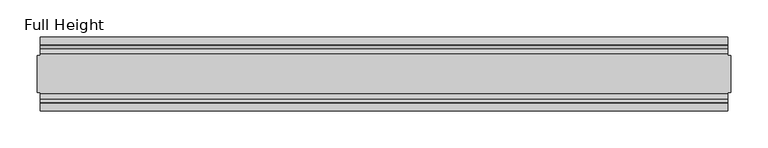
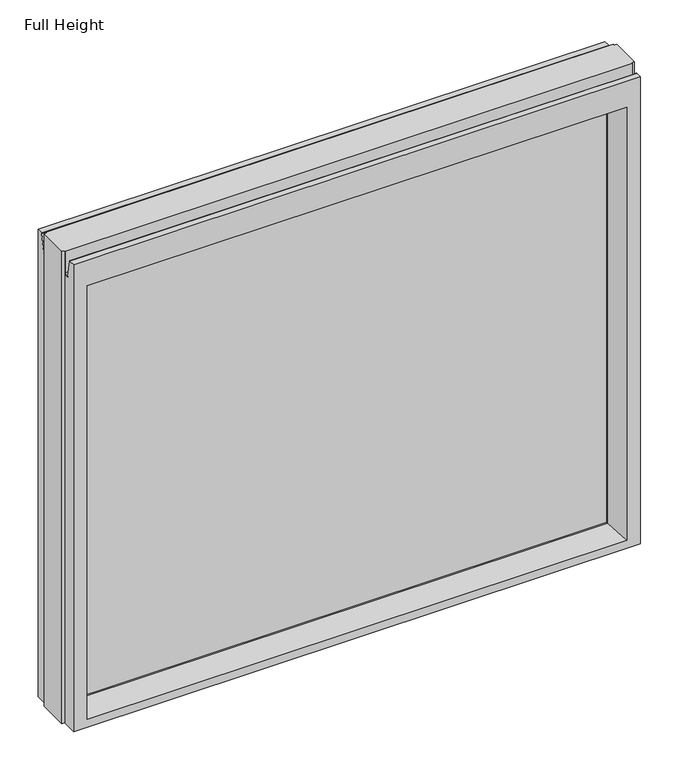
"""IFC4 building model written with IfcOpenShell, lengths in millimetres: plate geometry, Full Height."""

from ifc_helpers import new_model, si_unit, frame, origin, place, context, project, spatial, polyline, circle_curve, outline, extrude, source, transform, mapped, element, save
from ifc_brep_helpers import plane_surface, cylinder_surface, revolved_surface, advanced_brep


def full_height_1b1b466d(model_context):
    return source(origin(), model_context, "Body", "SolidModel", [
        advanced_brep(
        [(463.0738276, 50.0, 0.0), (463.0738276, 25.146, 0.0), (467.6458276, 25.146, 0.0), (467.6458276, -25.146, 0.0), (463.0738276, -25.146, 0.0), (463.0738276, -50.0, 0.0), (-463.0738276, -50.0, 0.0), (-463.0738276, -25.146, 0.0), (-467.6458276, -25.146, 0.0), (-467.6458276, 25.146, 0.0), (-463.0738276, 25.146, 0.0), (-463.0738276, 50.0, 0.0), (467.6458276, 25.146, 815.34), (463.0738276, 25.146, 815.34), (463.0738276, 26.67, 815.34), (-463.0738276, 26.67, 815.34), (-463.0738276, 25.146, 815.34), (-467.6458276, 25.146, 815.34), (-467.6458276, -25.146, 815.34), (-463.0738276, -25.146, 815.34), (-463.0738276, -26.67, 815.34), (463.0738276, -26.67, 815.34), (463.0738276, -25.146, 815.34), (467.6458276, -25.146, 815.34), (-463.0738276, 26.67, 778.129), (463.0738276, 26.67, 778.129), (-463.0738276, -50.0, 806.196), (-463.0738276, -39.9371387, 806.196), (-463.0738276, -39.1867152, 805.5663199), (-463.0738276, -34.2321175, 777.4674004), (-463.0738276, -26.67, 778.129), (-463.0738276, 34.2321175, 777.4674004), (-463.0738276, 39.1867152, 805.5663199), (-463.0738276, 39.9371387, 806.196), (-463.0738276, 50.0, 806.196), (463.0738276, -50.0, 806.196), (-440.9758276, -50.0, 761.619), (440.9758276, -50.0, 761.619), (440.9758276, -50.0, 13.9954), (-440.9758276, -50.0, 13.9954), (463.0738276, 50.0, 806.196), (-440.9758276, 50.0, 13.9954), (440.9758276, 50.0, 13.9954), (440.9758276, 50.0, 761.619), (-440.9758276, 50.0, 761.619), (-435.0068276, -6.1006519, 18.3896), (-435.0068276, -6.1006519, 755.65), (-435.0068276, 6.1006519, 755.65), (-435.0068276, 6.1006519, 18.3896), (435.0068276, 6.1006519, 18.3896), (435.0068276, 6.1006519, 755.65), (435.0068276, -6.1006519, 755.65), (435.0068276, -6.1006519, 18.3896), (463.0738276, 39.9371387, 806.196), (463.0738276, 39.1867152, 805.5663199), (463.0738276, 34.2321175, 777.4674004), (463.0738276, -26.67, 778.129), (463.0738276, -34.2321175, 777.4674004), (463.0738276, -39.1867152, 805.5663199), (463.0738276, -39.9371387, 806.196)],
        [
            (0, 1),
            (1, 2),
            (2, 3),
            (3, 4),
            (4, 5),
            (5, 6),
            (6, 7),
            (7, 8),
            (8, 9),
            (9, 10),
            (10, 11),
            (11, 0),
            (12, 13),
            (13, 14),
            (14, 15),
            (15, 16),
            (16, 17),
            (17, 18),
            (18, 19),
            (19, 20),
            (20, 21),
            (21, 22),
            (22, 23),
            (23, 12),
            (1, 13),
            (12, 2),
            (22, 4),
            (3, 23),
            (17, 9),
            (8, 18),
            (7, 19),
            (16, 10),
            (24, 15),
            (14, 25),
            (25, 24),
            (6, 26),
            (26, 27),
            (27, 28, circle_curve(frame((-463.0738276, -39.9371387, 805.434), z_axis=(-1.0, 0.0, 0.0), x_axis=(0.0, -1.0, 0.0)), 0.762)),
            (28, 29),
            (29, 30, circle_curve(frame((-463.0738276, -30.48, 778.129), z_axis=(1.0, 0.0, 0.0), x_axis=(0.0, -1.0, 0.0)), 3.81)),
            (30, 20),
            (24, 31, circle_curve(frame((-463.0738276, 30.48, 778.129), z_axis=(1.0, 0.0, 0.0), x_axis=(0.0, -1.0, 0.0)), 3.81)),
            (31, 32),
            (32, 33, circle_curve(frame((-463.0738276, 39.9371387, 805.434), z_axis=(-1.0, 0.0, 0.0), x_axis=(0.0, -1.0, 0.0)), 0.762)),
            (33, 34),
            (34, 11),
            (5, 35),
            (35, 26),
            (36, 37),
            (37, 38),
            (38, 39),
            (39, 36),
            (34, 40),
            (40, 0),
            (41, 42),
            (42, 43),
            (43, 44),
            (44, 41),
            (39, 45),
            (45, 46),
            (46, 36),
            (44, 47),
            (47, 48),
            (48, 41),
            (42, 49),
            (49, 50),
            (50, 43),
            (51, 52),
            (52, 38),
            (37, 51),
            (40, 53),
            (53, 54, circle_curve(frame((463.0738276, 39.9371387, 805.434), z_axis=(1.0, 0.0, 0.0), x_axis=(0.0, -1.0, 0.0)), 0.762)),
            (54, 55),
            (55, 25, circle_curve(frame((463.0738276, 30.48, 778.129), z_axis=(-1.0, 0.0, 0.0), x_axis=(0.0, -1.0, 0.0)), 3.81)),
            (21, 56),
            (56, 57, circle_curve(frame((463.0738276, -30.48, 778.129), z_axis=(-1.0, 0.0, 0.0), x_axis=(0.0, -1.0, 0.0)), 3.81)),
            (57, 58),
            (58, 59, circle_curve(frame((463.0738276, -39.9371387, 805.434), z_axis=(1.0, 0.0, 0.0), x_axis=(0.0, -1.0, 0.0)), 0.762)),
            (59, 35),
            (33, 53),
            (59, 27),
            (30, 56),
            (46, 51),
            (31, 55),
            (54, 32),
            (58, 28),
            (57, 29),
            (52, 45),
            (48, 49),
            (50, 47),
            (46, 47),
            (50, 51),
            (52, 49),
            (48, 45),
        ],
        [
            plane_surface(frame((-463.0738276, -50.0, 0.0), z_axis=(0.0, 0.0, -1.0), x_axis=(0.0, 1.0, 0.0))),
            plane_surface(frame((463.0738276, 25.146, 815.34), z_axis=(0.0, 0.0, 1.0), x_axis=(-1.0, 0.0, 0.0))),
            plane_surface(frame((467.6458276, 25.146, 815.34), z_axis=(0.0, 1.0, 0.0), x_axis=(0.0, 0.0, -1.0))),
            plane_surface(frame((463.0738276, -25.146, 815.34), z_axis=(0.0, -1.0, 0.0), x_axis=(0.0, 0.0, -1.0))),
            plane_surface(frame((467.6458276, -25.146, 815.34), z_axis=(1.0, 0.0, 0.0), x_axis=(0.0, 0.0, -1.0))),
            plane_surface(frame((-467.6458276, 25.146, 815.34), z_axis=(-1.0, 0.0, 0.0), x_axis=(0.0, 0.0, -1.0))),
            plane_surface(frame((-467.6458276, -25.146, 815.34), z_axis=(0.0, -1.0, 0.0), x_axis=(0.0, 0.0, -1.0))),
            plane_surface(frame((-463.0738276, 25.146, 815.34), z_axis=(0.0, 1.0, 0.0), x_axis=(0.0, 0.0, -1.0))),
            plane_surface(frame((-463.0738276, 26.67, 815.34), z_axis=(0.0, 1.0, 0.0), x_axis=(1.0, 0.0, 0.0))),
            plane_surface(frame((-463.0738276, 50.0, 773.4046), z_axis=(-1.0, 0.0, 0.0), x_axis=(0.0, 0.0, -1.0))),
            plane_surface(frame((-463.0738276, -50.0, 773.4046), z_axis=(0.0, -1.0, 0.0), x_axis=(0.0, 0.0, -1.0))),
            plane_surface(frame((-440.9758276, 50.0, 773.4046), z_axis=(0.0, 1.0, 0.0), x_axis=(0.0, 0.0, -1.0))),
            plane_surface(frame((-440.9758276, -50.0, 773.4046), z_axis=(0.990882294353361, -0.13473039277393772, 0.0), x_axis=(0.0, 0.0, -1.0))),
            plane_surface(frame((-435.0068276, 6.1006519, 773.4046), z_axis=(0.990882294353361, 0.13473039277393709, 0.0), x_axis=(0.0, 0.0, -1.0))),
            plane_surface(frame((440.9758276, 50.0, 773.4046), z_axis=(-0.9908822943533626, 0.134730392773925, 0.0), x_axis=(0.0, 0.0, -1.0))),
            plane_surface(frame((435.0068276, -6.1006519, 773.4046), z_axis=(-0.9908822943533585, -0.13473039277395565, 0.0), x_axis=(0.0, 0.0, -1.0))),
            plane_surface(frame((463.0738276, -50.0, 773.4046), z_axis=(1.0, 0.0, 0.0), x_axis=(0.0, 0.0, -1.0))),
            plane_surface(frame((-463.0738276, 39.9371387, 806.196), z_axis=(0.0, 0.0, 1.0), x_axis=(1.0, 0.0, 0.0))),
            plane_surface(frame((-463.0738276, -50.0, 806.196), z_axis=(0.0, 0.0, 1.0), x_axis=(1.0, 0.0, 0.0))),
            plane_surface(frame((-463.0738276, -26.67, 778.129), z_axis=(0.0, -1.0, 0.0), x_axis=(1.0, 0.0, 0.0))),
            plane_surface(frame((-463.0738276, -6.1006519, 755.65), z_axis=(0.0, -0.13473039277393184, -0.9908822943533617), x_axis=(1.0, 0.0, 0.0))),
            plane_surface(frame((-463.0738276, 34.2321175, 777.4674004), z_axis=(0.0, -0.9848077530122084, 0.17364817766692892), x_axis=(1.0, 0.0, 0.0))),
            revolved_surface(polyline([(463.0738276, 26.67, 778.129), (-463.0738276, 26.67, 778.129)]), (463.0738276, 30.48, 778.129), (1.0, 0.0, 0.0)),
            cylinder_surface(frame((463.0738276, 39.9371387, 805.434), z_axis=(-1.0, 0.0, 0.0), x_axis=(0.0, -1.0, 0.0)), 0.762),
            cylinder_surface(frame((463.0738276, -39.9371387, 805.434), z_axis=(-1.0, 0.0, 0.0), x_axis=(0.0, -1.0, 0.0)), 0.762),
            plane_surface(frame((-463.0738276, -39.1867152, 805.5663199), z_axis=(0.0, 0.9848077530122005, 0.17364817766697357), x_axis=(1.0, 0.0, 0.0))),
            revolved_surface(polyline([(463.0738276, -34.29, 778.129), (-463.0738276, -34.29, 778.129)]), (463.0738276, -30.48, 778.129), (1.0, 0.0, 0.0)),
            plane_surface(frame((-463.0738276, -50.0, 13.9954), z_axis=(0.0, -0.09959943661133767, 0.9950276138010965), x_axis=(1.0, 0.0, 0.0))),
            plane_surface(frame((-463.0738276, 6.1006519, 18.3896), z_axis=(0.0, 0.09959943661137731, 0.9950276138010926), x_axis=(1.0, 0.0, 0.0))),
            plane_surface(frame((-463.0738276, 50.0, 761.619), z_axis=(0.0, 0.13473039277391685, -0.9908822943533637), x_axis=(1.0, 0.0, 0.0))),
            plane_surface(frame((-463.0738276, 6.1006519, 755.65), z_axis=(0.0, 0.0, -1.0), x_axis=(1.0, 0.0, 0.0))),
            plane_surface(frame((-463.0738276, -6.1006519, 18.3896), z_axis=(0.0, 0.0, 1.0), x_axis=(1.0, 0.0, 0.0))),
            plane_surface(frame((-435.0068276, -6.1006519, 773.4046), z_axis=(1.0, 0.0, 0.0), x_axis=(0.0, 0.0, -1.0))),
            plane_surface(frame((435.0068276, 6.1006519, 773.4046), z_axis=(-1.0, 0.0, 0.0), x_axis=(0.0, 0.0, -1.0))),
        ],
        [
            (0, [[1, 2, 3, 4, 5, 6, 7, 8, 9, 10, 11, 12]]),
            (1, [[13, 14, 15, 16, 17, 18, 19, 20, 21, 22, 23, 24]]),
            (2, [[25, -13, 26, -2]]),
            (3, [[-23, 27, -4, 28]]),
            (4, [[-24, -28, -3, -26]]),
            (5, [[-18, 29, -9, 30]]),
            (6, [[31, -19, -30, -8]]),
            (7, [[-17, 32, -10, -29]]),
            (8, [[33, -15, 34, 35]]),
            (9, [[-7, 36, 37, 38, 39, 40, 41, -20, -31]]),
            (9, [[-11, -32, -16, -33, 42, 43, 44, 45, 46]]),
            (10, [[-36, -6, 47, 48], [49, 50, 51, 52]]),
            (11, [[-12, -46, 53, 54], [55, 56, 57, 58]]),
            (12, [[-52, 59, 60, 61]]),
            (13, [[-58, 62, 63, 64]]),
            (14, [[-56, 65, 66, 67]]),
            (15, [[68, 69, -50, 70]]),
            (16, [[-1, -54, 71, 72, 73, 74, -34, -14, -25]]),
            (16, [[-47, -5, -27, -22, 75, 76, 77, 78, 79]]),
            (17, [[-45, 80, -71, -53]]),
            (18, [[-37, -48, -79, 81]]),
            (19, [[-41, 82, -75, -21]]),
            (20, [[-49, -61, 83, -70]]),
            (21, [[-43, 84, -73, 85]]),
            (22, [[-42, -35, -74, -84]]),
            (23, [[-44, -85, -72, -80]]),
            (24, [[-38, -81, -78, 86]]),
            (25, [[-39, -86, -77, 87]]),
            (26, [[-40, -87, -76, -82]]),
            (27, [[-51, -69, 88, -59]]),
            (28, [[-55, -64, 89, -65]]),
            (29, [[-57, -67, 90, -62]]),
            (30, [[-83, 91, -90, 92]]),
            (31, [[-88, 93, -89, 94]]),
            (32, [[-63, -91, -60, -94]]),
            (33, [[-68, -92, -66, -93]]),
        ],
    ),
        extrude(outline(polyline([(-435.0068276, 3.175), (435.0068276, 3.175), (435.0068276, -3.175), (-435.0068276, -3.175), (-435.0068276, 3.175)])), frame((0.0, 0.0, 18.3896), z_axis=(0.0, 0.0, 1.0), x_axis=(1.0, 0.0, 0.0)), (0.0, 0.0, 1.0), 737.2604),
    ])


if __name__ == "__main__":
    model = new_model("IFC4")
    model_context = context("Model", 3, world=origin())
    ifc_project = project(units=[si_unit("LENGTHUNIT", "METRE", prefix="MILLI")], contexts=[model_context])
    site = spatial("IfcSite", under=ifc_project)
    building = spatial("IfcBuilding", under=site)
    placement = place(None, origin())
    full_height_shape = full_height_1b1b466d(model_context)
    element("IfcPlate", 1, ObjectType="Full Height", at=placement, inside=building, context=model_context, shape_type="MappedRepresentation", body=[
        mapped(full_height_shape, transform((0.0, 0.0, 0.0), x_axis=(1.0, 0.0, 0.0), y_axis=(0.0, 1.0, 0.0), z_axis=(0.0, 0.0, 1.0))),
    ])
    save(model, "model.ifc")
